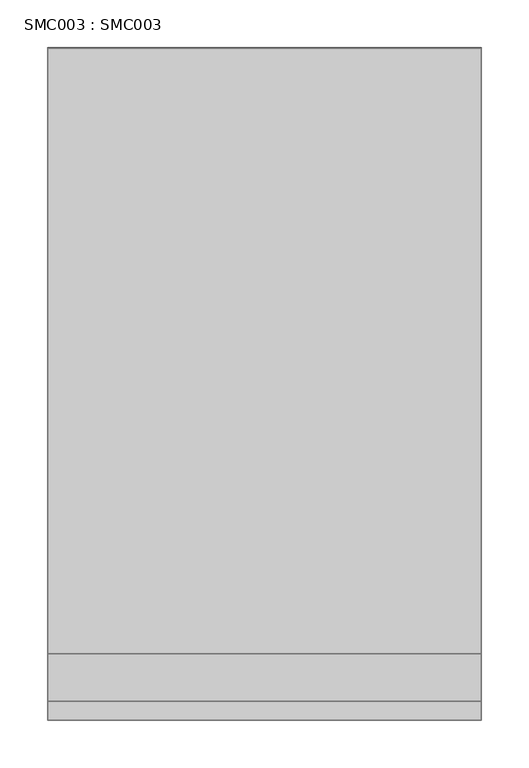
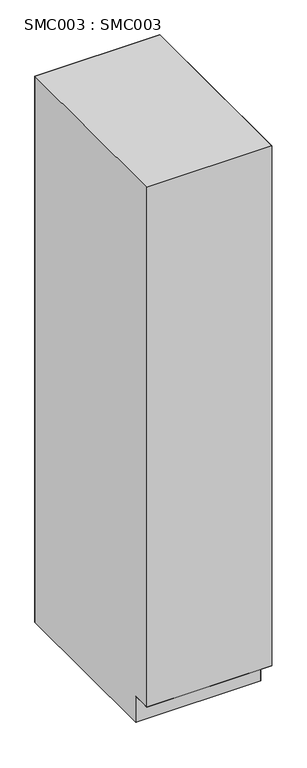
"""IFC4 building model written with IfcOpenShell, lengths in millimetres: proxy geometry, SMC003 : SMC003."""

import ifcopenshell
import ifcopenshell.guid

model = None  # the IFC model being written
_history = None  # IfcOwnerHistory: only IFC2X3 demands one
_inside = {}  # id of a spatial element -> (the spatial element, [elements in it])
_under = {}  # id of a project, library or spatial element -> (it, [spatial elements below it])
_declared = {}  # id of a project -> (the project, [libraries it declares])
_typed = {}  # id of a type object -> (the type object, [elements of that type])
_made_of = {}  # id of a material, layer set ... -> (it, [elements and type objects made of it])


def new_model(schema):
    """Start an empty IFC model of exactly this schema.

    Asked for "IFC4X3", IfcOpenShell would pick the latest addendum, in which some entities
    have other attributes; the version numbers below select the first issue.
    IFC2X3 requires an IfcOwnerHistory on every rooted entity: one is made here for all.
    """
    global model, _history
    if schema == "IFC4X3":
        model = ifcopenshell.file(schema_version=(4, 3, 0, 0))
    else:
        model = ifcopenshell.file(schema=schema)
    _inside.clear()
    _under.clear()
    _declared.clear()
    _typed.clear()
    _made_of.clear()
    _history = None
    if model.schema == "IFC2X3":
        org = make("IfcOrganization", Name="unknown")
        user = make(
            "IfcPersonAndOrganization",
            ThePerson=make("IfcPerson", FamilyName="unknown"),
            TheOrganization=org,
        )
        app = make(
            "IfcApplication",
            ApplicationDeveloper=org,
            Version="unknown",
            ApplicationFullName="unknown",
            ApplicationIdentifier="unknown",
        )
        _history = make(
            "IfcOwnerHistory",
            OwningUser=user,
            OwningApplication=app,
            ChangeAction="ADDED",
            CreationDate=0,
        )
    return model


def make(cls, **values):
    """One entity of the class cls with the attributes given. An attribute that is None is left unset."""
    return model.create_entity(
        cls, **{name: value for name, value in values.items() if value is not None}
    )


def rooted(cls, **values):
    """An entity with a GlobalId (a new one), such as an element, a storey or a relation."""
    return make(cls, GlobalId=ifcopenshell.guid.new(), OwnerHistory=_history, **values)


def si_unit(unit_type, name, prefix=None):
    """IfcSIUnit, for example si_unit("LENGTHUNIT", "METRE", prefix="MILLI")."""
    return make("IfcSIUnit", UnitType=unit_type, Prefix=prefix, Name=name)


def assignment(units):
    """IfcUnitAssignment: the units of a project."""
    return None if units is None else make("IfcUnitAssignment", Units=units)


def point(xyz):
    """IfcCartesianPoint."""
    return None if xyz is None else make("IfcCartesianPoint", Coordinates=xyz)


def direction(xyz):
    """IfcDirection."""
    return None if xyz is None else make("IfcDirection", DirectionRatios=xyz)


def frame(location, z_axis=None, x_axis=None):
    """IfcAxis2Placement3D, a coordinate frame: its origin and axes. An axis left out is left unset."""
    return make(
        "IfcAxis2Placement3D",
        Location=point(location),
        Axis=direction(z_axis),
        RefDirection=direction(x_axis),
    )


def origin():
    """The frame at (0, 0, 0) with its axes left unset."""
    return frame((0.0, 0.0, 0.0))


def place(relative_to, where):
    """IfcLocalPlacement: puts the frame where relative to a parent placement (None: the world)."""
    return make(
        "IfcLocalPlacement", PlacementRelTo=relative_to, RelativePlacement=where
    )


def context(
    kind, dimensions, precision=None, world=None, true_north=None, identifier=None
):
    """IfcGeometricRepresentationContext, for example the 3D "Model" context."""
    return make(
        "IfcGeometricRepresentationContext",
        ContextIdentifier=identifier,
        ContextType=kind,
        CoordinateSpaceDimension=dimensions,
        Precision=precision,
        WorldCoordinateSystem=world,
        TrueNorth=true_north,
    )


def project(units=None, contexts=None):
    """IfcProject with its units and contexts."""
    return rooted(
        "IfcProject",
        Name="project",
        RepresentationContexts=contexts,
        UnitsInContext=assignment(units),
    )


def spatial(cls, under=None, at=None, **own):
    """A site, building, storey or space (cls), placed at a placement, below another one or the project."""
    s = rooted(cls, ObjectPlacement=at, **own)
    if under is not None:
        _under.setdefault(under.id(), (under, []))[1].append(s)
    return s


def point_list(points):
    """IfcCartesianPointList2D or 3D."""
    cls = (
        "IfcCartesianPointList2D" if len(points[0]) == 2 else "IfcCartesianPointList3D"
    )
    return make(cls, CoordList=points)


def triangles(points, corners, closed=None, point_numbers=None):
    """IfcTriangulatedFaceSet: each triangle names its three corners, points numbered from 1."""
    return make(
        "IfcTriangulatedFaceSet",
        Coordinates=point_list(points),
        Closed=closed,
        CoordIndex=corners,
        PnIndex=point_numbers,
    )


def shape(context_of_items, identifier, shape_type, items):
    """IfcShapeRepresentation: the items that make up one representation, for example the "Body"."""
    return make(
        "IfcShapeRepresentation",
        ContextOfItems=context_of_items,
        RepresentationIdentifier=identifier,
        RepresentationType=shape_type,
        Items=items,
    )


def source(mapping_origin, context_of_items, identifier, shape_type, items):
    """IfcRepresentationMap: a shape defined once, which mapped items show again and again."""
    return make(
        "IfcRepresentationMap",
        MappingOrigin=mapping_origin,
        MappedRepresentation=shape(context_of_items, identifier, shape_type, items),
    )


def transform(
    local_origin,
    x_axis=None,
    y_axis=None,
    z_axis=None,
    scale=None,
    scale2=None,
    scale3=None,
    uniform=True,
):
    """IfcCartesianTransformationOperator3D, or its non-uniform kind. x_axis, y_axis, z_axis: its Axis1, 2, 3."""
    if uniform:
        return make(
            "IfcCartesianTransformationOperator3D",
            Axis1=direction(x_axis),
            Axis2=direction(y_axis),
            LocalOrigin=point(local_origin),
            Scale=scale,
            Axis3=direction(z_axis),
        )
    return make(
        "IfcCartesianTransformationOperator3DnonUniform",
        Axis1=direction(x_axis),
        Axis2=direction(y_axis),
        LocalOrigin=point(local_origin),
        Scale=scale,
        Axis3=direction(z_axis),
        Scale2=scale2,
        Scale3=scale3,
    )


def mapped(mapping_source, mapping_target):
    """IfcMappedItem: shows the shape of a source again, moved by a transform."""
    return make(
        "IfcMappedItem", MappingSource=mapping_source, MappingTarget=mapping_target
    )


def made_of(thing, what):
    """Note that an element or type object is made of a material, layer set ...; save() writes the relation."""
    if what is not None:
        _made_of.setdefault(what.id(), (what, []))[1].append(thing)
    return thing


def element(
    cls,
    number,
    at=None,
    inside=None,
    cuts=None,
    type_object=None,
    material=None,
    context=None,
    identifier="Body",
    shape_type=None,
    held_by="IfcProductDefinitionShape",
    body=None,
    shapes=None,
    **own,
):
    """One element of the class cls, such as IfcWall. Its Tag is "e" and its number.

    at: its placement. inside: the storey or other place that contains it. cuts: it is an
    opening in that element (IfcRelVoidsElement). A single representation is given by context,
    identifier, shape_type and body (its items); several are given by shapes. held_by: the class
    of the entity that holds the representations. save() writes the other relations.
    """
    e = rooted(cls, Tag="e%d" % number, ObjectPlacement=at, **own)
    if body is not None:
        shapes = [shape(context, identifier, shape_type, body)]
    if shapes is not None:
        e.Representation = make(held_by, Representations=shapes)
    if inside is not None:
        _inside.setdefault(inside.id(), (inside, []))[1].append(e)
    if cuts is not None:
        rooted(
            "IfcRelVoidsElement", RelatingBuildingElement=cuts, RelatedOpeningElement=e
        )
    if type_object is not None:
        _typed.setdefault(type_object.id(), (type_object, []))[1].append(e)
    return made_of(e, material)


def aggregate(whole, parts):
    """IfcRelAggregates: a whole, such as a stair, and the parts it consists of."""
    return rooted("IfcRelAggregates", RelatingObject=whole, RelatedObjects=parts)


def save(model, path):
    """Write the relations noted so far, then the file.

    IfcRelAggregates (storeys below a building ...), IfcRelContainedInSpatialStructure (elements
    in a storey), IfcRelDefinesByType, IfcRelAssociatesMaterial and IfcRelDeclares: one each for
    every whole, place, type object, material and project.
    """
    for whole, parts in _under.values():
        aggregate(whole, parts)
    for where, things in _inside.values():
        rooted(
            "IfcRelContainedInSpatialStructure",
            RelatedElements=things,
            RelatingStructure=where,
        )
    for kind, things in _typed.values():
        rooted("IfcRelDefinesByType", RelatedObjects=things, RelatingType=kind)
    for what, things in _made_of.values():
        rooted("IfcRelAssociatesMaterial", RelatedObjects=things, RelatingMaterial=what)
    for by, libraries in _declared.values():
        rooted("IfcRelDeclares", RelatingContext=by, RelatedDefinitions=libraries)
    model.write(path)


def smc003_smc003_be9b837d(model_context):
    return source(origin(), model_context, "Body", "Tessellation", [
        triangles([(0.0, -684.9999762, 2100.000016), (0.0, -704.9999908, 2100.000016), (454.9999889, -704.9999908, 2100.000016), (454.9999889, -684.9999762, 2100.000016), (454.9999889, 0.0, 2100.000016), (0.0, 0.0, 2100.000016), (0.0, -634.9999758, 0.0), (454.9999889, -634.9999758, 0.0), (454.9999889, -634.9999758, 100.0000008), (0.0, -634.9999758, 100.0000008), (0.0, -684.9999762, 100.0000008), (0.0, -704.9999908, 100.0000008), (454.9999889, -704.9999908, 100.0000008), (454.9999889, -684.9999762, 100.0000008), (0.0, 0.0, 0.0), (454.9999889, 0.0, 0.0), (0.0, 0.0, 100.0000008), (454.9999889, 0.0, 100.0000008)], [[1, 2, 3], [1, 3, 4], [5, 6, 1], [5, 1, 4], [7, 8, 9], [7, 9, 10], [11, 12, 13], [11, 13, 14], [11, 10, 9], [11, 9, 14], [15, 6, 5], [15, 5, 16], [13, 12, 2], [13, 2, 3], [11, 14, 4], [11, 4, 1], [7, 10, 17], [7, 17, 15], [11, 1, 6], [11, 6, 17], [12, 11, 1], [12, 1, 2], [8, 9, 18], [8, 18, 16], [14, 4, 5], [14, 5, 18], [14, 13, 3], [14, 3, 4]], closed=False),
    ])


if __name__ == "__main__":
    model = new_model("IFC4")
    model_context = context("Model", 3, world=origin())
    ifc_project = project(units=[si_unit("LENGTHUNIT", "METRE", prefix="MILLI")], contexts=[model_context])
    site = spatial("IfcSite", under=ifc_project)
    building = spatial("IfcBuilding", under=site)
    placement = place(None, origin())
    smc003_smc003_shape = smc003_smc003_be9b837d(model_context)
    element("IfcBuildingElementProxy", 1, Name="SMC003 : SMC003", ObjectType="SMC003 : SMC003", at=placement, inside=building, context=model_context, shape_type="MappedRepresentation", body=[
        mapped(smc003_smc003_shape, transform((0.0, 0.0, 0.0), x_axis=(1.0, 0.0, 0.0), y_axis=(0.0, 1.0, 0.0), z_axis=(0.0, 0.0, 1.0))),
    ])
    save(model, "model.ifc")
